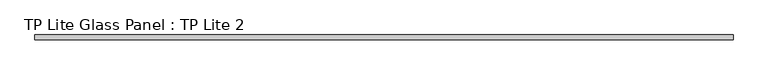
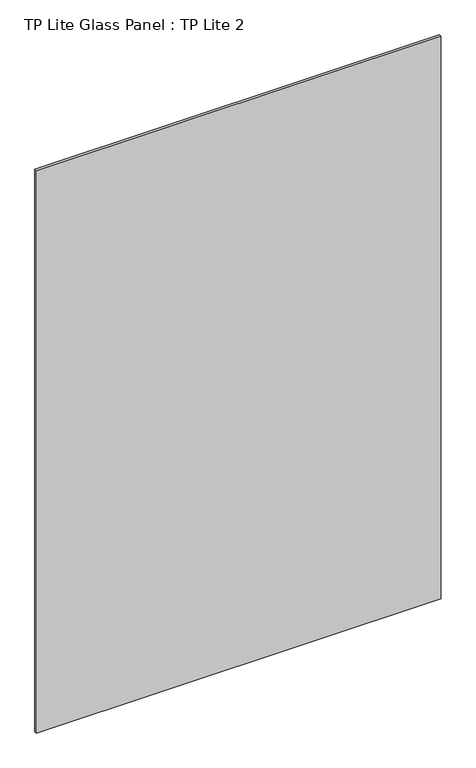
"""IFC4 building model written with IfcOpenShell, lengths in millimetres: plate geometry, TP Lite Glass Panel : TP Lite 2."""

import ifcopenshell
import ifcopenshell.guid

model = None  # the IFC model being written
_history = None  # IfcOwnerHistory: only IFC2X3 demands one
_inside = {}  # id of a spatial element -> (the spatial element, [elements in it])
_under = {}  # id of a project, library or spatial element -> (it, [spatial elements below it])
_declared = {}  # id of a project -> (the project, [libraries it declares])
_typed = {}  # id of a type object -> (the type object, [elements of that type])
_made_of = {}  # id of a material, layer set ... -> (it, [elements and type objects made of it])


def new_model(schema):
    """Start an empty IFC model of exactly this schema.

    Asked for "IFC4X3", IfcOpenShell would pick the latest addendum, in which some entities
    have other attributes; the version numbers below select the first issue.
    IFC2X3 requires an IfcOwnerHistory on every rooted entity: one is made here for all.
    """
    global model, _history
    if schema == "IFC4X3":
        model = ifcopenshell.file(schema_version=(4, 3, 0, 0))
    else:
        model = ifcopenshell.file(schema=schema)
    _inside.clear()
    _under.clear()
    _declared.clear()
    _typed.clear()
    _made_of.clear()
    _history = None
    if model.schema == "IFC2X3":
        org = make("IfcOrganization", Name="unknown")
        user = make(
            "IfcPersonAndOrganization",
            ThePerson=make("IfcPerson", FamilyName="unknown"),
            TheOrganization=org,
        )
        app = make(
            "IfcApplication",
            ApplicationDeveloper=org,
            Version="unknown",
            ApplicationFullName="unknown",
            ApplicationIdentifier="unknown",
        )
        _history = make(
            "IfcOwnerHistory",
            OwningUser=user,
            OwningApplication=app,
            ChangeAction="ADDED",
            CreationDate=0,
        )
    return model


def make(cls, **values):
    """One entity of the class cls with the attributes given. An attribute that is None is left unset."""
    return model.create_entity(
        cls, **{name: value for name, value in values.items() if value is not None}
    )


def rooted(cls, **values):
    """An entity with a GlobalId (a new one), such as an element, a storey or a relation."""
    return make(cls, GlobalId=ifcopenshell.guid.new(), OwnerHistory=_history, **values)


def si_unit(unit_type, name, prefix=None):
    """IfcSIUnit, for example si_unit("LENGTHUNIT", "METRE", prefix="MILLI")."""
    return make("IfcSIUnit", UnitType=unit_type, Prefix=prefix, Name=name)


def assignment(units):
    """IfcUnitAssignment: the units of a project."""
    return None if units is None else make("IfcUnitAssignment", Units=units)


def point(xyz):
    """IfcCartesianPoint."""
    return None if xyz is None else make("IfcCartesianPoint", Coordinates=xyz)


def direction(xyz):
    """IfcDirection."""
    return None if xyz is None else make("IfcDirection", DirectionRatios=xyz)


def frame(location, z_axis=None, x_axis=None):
    """IfcAxis2Placement3D, a coordinate frame: its origin and axes. An axis left out is left unset."""
    return make(
        "IfcAxis2Placement3D",
        Location=point(location),
        Axis=direction(z_axis),
        RefDirection=direction(x_axis),
    )


def origin():
    """The frame at (0, 0, 0) with its axes left unset."""
    return frame((0.0, 0.0, 0.0))


def origin_with_axes():
    """The frame at (0, 0, 0) with the z axis (0, 0, 1) and the x axis (1, 0, 0) written out."""
    return frame((0.0, 0.0, 0.0), z_axis=(0.0, 0.0, 1.0), x_axis=(1.0, 0.0, 0.0))


def place(relative_to, where):
    """IfcLocalPlacement: puts the frame where relative to a parent placement (None: the world)."""
    return make(
        "IfcLocalPlacement", PlacementRelTo=relative_to, RelativePlacement=where
    )


def context(
    kind, dimensions, precision=None, world=None, true_north=None, identifier=None
):
    """IfcGeometricRepresentationContext, for example the 3D "Model" context."""
    return make(
        "IfcGeometricRepresentationContext",
        ContextIdentifier=identifier,
        ContextType=kind,
        CoordinateSpaceDimension=dimensions,
        Precision=precision,
        WorldCoordinateSystem=world,
        TrueNorth=true_north,
    )


def project(units=None, contexts=None):
    """IfcProject with its units and contexts."""
    return rooted(
        "IfcProject",
        Name="project",
        RepresentationContexts=contexts,
        UnitsInContext=assignment(units),
    )


def spatial(cls, under=None, at=None, **own):
    """A site, building, storey or space (cls), placed at a placement, below another one or the project."""
    s = rooted(cls, ObjectPlacement=at, **own)
    if under is not None:
        _under.setdefault(under.id(), (under, []))[1].append(s)
    return s


def polyline(points):
    """IfcPolyline through the points."""
    return make("IfcPolyline", Points=[point(p) for p in points])


def outline(outer, holes=None, kind="AREA"):
    """IfcArbitraryClosedProfileDef: a profile drawn as a closed curve; with holes, ...WithVoids."""
    if holes is None:
        return make("IfcArbitraryClosedProfileDef", ProfileType=kind, OuterCurve=outer)
    return make(
        "IfcArbitraryProfileDefWithVoids",
        ProfileType=kind,
        OuterCurve=outer,
        InnerCurves=holes,
    )


def extrude(swept, where, along, depth):
    """IfcExtrudedAreaSolid: the profile swept, set in the frame where, extruded along a direction by depth."""
    return make(
        "IfcExtrudedAreaSolid",
        SweptArea=swept,
        Position=where,
        ExtrudedDirection=direction(along),
        Depth=depth,
    )


def shape(context_of_items, identifier, shape_type, items):
    """IfcShapeRepresentation: the items that make up one representation, for example the "Body"."""
    return make(
        "IfcShapeRepresentation",
        ContextOfItems=context_of_items,
        RepresentationIdentifier=identifier,
        RepresentationType=shape_type,
        Items=items,
    )


def source(mapping_origin, context_of_items, identifier, shape_type, items):
    """IfcRepresentationMap: a shape defined once, which mapped items show again and again."""
    return make(
        "IfcRepresentationMap",
        MappingOrigin=mapping_origin,
        MappedRepresentation=shape(context_of_items, identifier, shape_type, items),
    )


def transform(
    local_origin,
    x_axis=None,
    y_axis=None,
    z_axis=None,
    scale=None,
    scale2=None,
    scale3=None,
    uniform=True,
):
    """IfcCartesianTransformationOperator3D, or its non-uniform kind. x_axis, y_axis, z_axis: its Axis1, 2, 3."""
    if uniform:
        return make(
            "IfcCartesianTransformationOperator3D",
            Axis1=direction(x_axis),
            Axis2=direction(y_axis),
            LocalOrigin=point(local_origin),
            Scale=scale,
            Axis3=direction(z_axis),
        )
    return make(
        "IfcCartesianTransformationOperator3DnonUniform",
        Axis1=direction(x_axis),
        Axis2=direction(y_axis),
        LocalOrigin=point(local_origin),
        Scale=scale,
        Axis3=direction(z_axis),
        Scale2=scale2,
        Scale3=scale3,
    )


def mapped(mapping_source, mapping_target):
    """IfcMappedItem: shows the shape of a source again, moved by a transform."""
    return make(
        "IfcMappedItem", MappingSource=mapping_source, MappingTarget=mapping_target
    )


def made_of(thing, what):
    """Note that an element or type object is made of a material, layer set ...; save() writes the relation."""
    if what is not None:
        _made_of.setdefault(what.id(), (what, []))[1].append(thing)
    return thing


def element(
    cls,
    number,
    at=None,
    inside=None,
    cuts=None,
    type_object=None,
    material=None,
    context=None,
    identifier="Body",
    shape_type=None,
    held_by="IfcProductDefinitionShape",
    body=None,
    shapes=None,
    **own,
):
    """One element of the class cls, such as IfcWall. Its Tag is "e" and its number.

    at: its placement. inside: the storey or other place that contains it. cuts: it is an
    opening in that element (IfcRelVoidsElement). A single representation is given by context,
    identifier, shape_type and body (its items); several are given by shapes. held_by: the class
    of the entity that holds the representations. save() writes the other relations.
    """
    e = rooted(cls, Tag="e%d" % number, ObjectPlacement=at, **own)
    if body is not None:
        shapes = [shape(context, identifier, shape_type, body)]
    if shapes is not None:
        e.Representation = make(held_by, Representations=shapes)
    if inside is not None:
        _inside.setdefault(inside.id(), (inside, []))[1].append(e)
    if cuts is not None:
        rooted(
            "IfcRelVoidsElement", RelatingBuildingElement=cuts, RelatedOpeningElement=e
        )
    if type_object is not None:
        _typed.setdefault(type_object.id(), (type_object, []))[1].append(e)
    return made_of(e, material)


def aggregate(whole, parts):
    """IfcRelAggregates: a whole, such as a stair, and the parts it consists of."""
    return rooted("IfcRelAggregates", RelatingObject=whole, RelatedObjects=parts)


def save(model, path):
    """Write the relations noted so far, then the file.

    IfcRelAggregates (storeys below a building ...), IfcRelContainedInSpatialStructure (elements
    in a storey), IfcRelDefinesByType, IfcRelAssociatesMaterial and IfcRelDeclares: one each for
    every whole, place, type object, material and project.
    """
    for whole, parts in _under.values():
        aggregate(whole, parts)
    for where, things in _inside.values():
        rooted(
            "IfcRelContainedInSpatialStructure",
            RelatedElements=things,
            RelatingStructure=where,
        )
    for kind, things in _typed.values():
        rooted("IfcRelDefinesByType", RelatedObjects=things, RelatingType=kind)
    for what, things in _made_of.values():
        rooted("IfcRelAssociatesMaterial", RelatedObjects=things, RelatingMaterial=what)
    for by, libraries in _declared.values():
        rooted("IfcRelDeclares", RelatingContext=by, RelatedDefinitions=libraries)
    model.write(path)


def tp_lite_glass_panel_tp_lite_2_0f783cca(model_context):
    return source(origin(), model_context, "Body", "SweptSolid", [
        extrude(outline(polyline([(899.0, -6.0), (-899.0, -6.0), (-899.0, 6.0), (899.0, 6.0), (899.0, -6.0)])), origin_with_axes(), (0.0, 0.0, 1.0), 2640.0000015),
    ])


if __name__ == "__main__":
    model = new_model("IFC4")
    model_context = context("Model", 3, world=origin())
    ifc_project = project(units=[si_unit("LENGTHUNIT", "METRE", prefix="MILLI")], contexts=[model_context])
    site = spatial("IfcSite", under=ifc_project)
    building = spatial("IfcBuilding", under=site)
    placement = place(None, origin())
    tp_lite_glass_panel_tp_lite_2_shape = tp_lite_glass_panel_tp_lite_2_0f783cca(model_context)
    element("IfcPlate", 1, ObjectType="TP Lite Glass Panel : TP Lite 2", at=placement, inside=building, context=model_context, shape_type="MappedRepresentation", body=[
        mapped(tp_lite_glass_panel_tp_lite_2_shape, transform((0.0, 0.0, 0.0), x_axis=(1.0, 0.0, 0.0), y_axis=(0.0, 1.0, 0.0), z_axis=(0.0, 0.0, 1.0))),
    ])
    save(model, "model.ifc")
